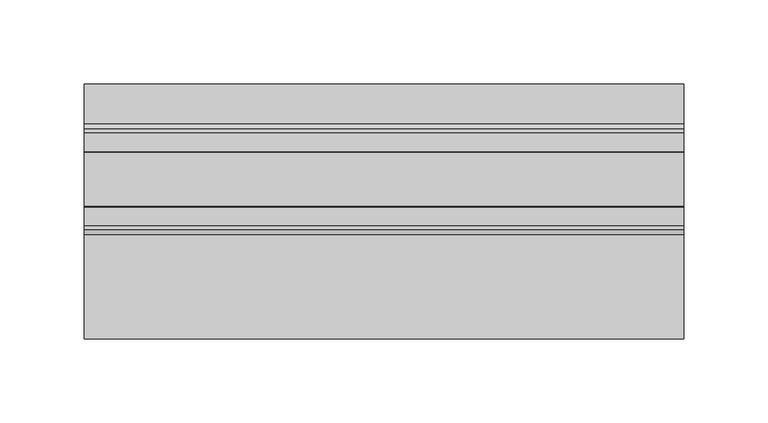
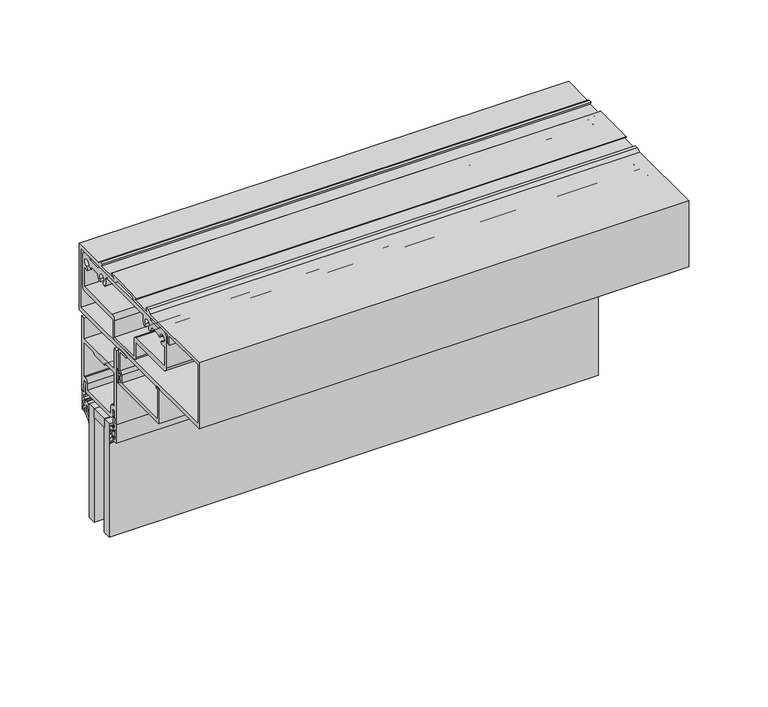
"""IFC4 building model written with IfcOpenShell, lengths in millimetres: plate geometry."""

from ifc_helpers import new_model, si_unit, point, frame, frame_2d, origin, place, context, project, spatial, polyline, circle_curve, trimmed, segment, composite_curve, outline, extrude, source, transform, mapped, element, save


def plate_995db8b3(model_context):
    return source(origin(), model_context, "Body", "SweptSolid", [
        extrude(outline(polyline([(-177.8, -19.05), (-177.8, -6.35), (177.8, -6.35), (177.8, -19.05), (-177.8, -19.05)])), frame((0.0, 0.0, 228.2472153), z_axis=(0.0, 0.0, 1.0), x_axis=(1.0, 0.0, 0.0)), (0.0, 0.0, 1.0), 6.35),
        extrude(outline(composite_curve([segment(polyline([(-34.9514484, 282.0069338), (-34.9514484, 274.0820806)]), True, "CONTINUOUS"), segment(trimmed(circle_curve(frame_2d((-36.1452484, 274.0820806)), 1.1938), [point((-34.9514484, 274.0820806))], [point((-37.3390484, 274.0820806))], False, "CARTESIAN"), True, "CONTINUOUS"), segment(polyline([(-37.3390484, 274.0820806), (-37.3390484, 276.0881992), (-38.31675, 276.0881992), (-38.31675, 274.6149992), (-39.2186484, 274.6149992), (-39.2186484, 276.4691992), (-37.7962484, 276.4691992), (-37.7962484, 279.6187992), (-39.2186484, 279.6187992), (-39.2186484, 281.4729992), (-38.31675, 281.4729992), (-38.31675, 279.9997992), (-37.3390484, 279.9997992), (-37.3390484, 282.0069338)]), True, "CONTINUOUS"), segment(trimmed(circle_curve(frame_2d((-36.1452484, 282.0069338)), 1.1938), [point((-37.3390484, 282.0069338))], [point((-34.9514484, 282.0069338))], False, "CARTESIAN"), True, "CONTINUOUS")], self_intersect=False), holes=[composite_curve([segment(trimmed(circle_curve(frame_2d((-36.1452484, 282.0069338)), 0.6858), [point((-35.4594484, 282.0069338))], [point((-36.8310484, 282.0069338))], True, "CARTESIAN"), True, "CONTINUOUS"), segment(polyline([(-36.8310484, 282.0069338), (-36.8310484, 274.0820806)]), True, "CONTINUOUS"), segment(trimmed(circle_curve(frame_2d((-36.1452484, 274.0820806)), 0.6858), [point((-36.8310484, 274.0820806))], [point((-35.4594484, 274.0820806))], True, "CARTESIAN"), True, "CONTINUOUS"), segment(polyline([(-35.4594484, 274.0820806), (-35.4594484, 282.0069338)]), True, "CONTINUOUS")], self_intersect=False)]), frame((-177.8, 0.0, 0.0), z_axis=(1.0, 0.0, 0.0), x_axis=(0.0, 1.0, 0.0)), (0.0, 0.0, 1.0), 355.6),
        extrude(outline(polyline([(-177.8, -6.35), (-177.8, 0.0), (177.8, 0.0), (177.8, -6.35), (-177.8, -6.35)])), frame((0.0, 0.0, 147.2847153), z_axis=(0.0, 0.0, 1.0), x_axis=(1.0, 0.0, 0.0)), (0.0, 0.0, 1.0), 87.3125),
        extrude(outline(polyline([(-177.8, -25.4), (-177.8, -19.05), (177.8, -19.05), (177.8, -25.4), (-177.8, -25.4)])), frame((0.0, 0.0, 147.2847153), z_axis=(0.0, 0.0, 1.0), x_axis=(1.0, 0.0, 0.0)), (0.0, 0.0, 1.0), 87.3125),
        extrude(outline(composite_curve([segment(polyline([(1.2146236, 224.1188094), (3.6195019, 226.3938295), (3.6195019, 229.7604607)]), True, "CONTINUOUS"), segment(trimmed(circle_curve(frame_2d((3.9370017, 230.1154366)), 0.47625), [point((3.6195019, 229.7604607))], [point((3.619501, 230.4704118))], True, "CARTESIAN"), True, "CONTINUOUS"), segment(polyline([(3.619501, 230.4704118), (3.619501, 232.0534477)]), True, "CONTINUOUS"), segment(trimmed(circle_curve(frame_2d((3.1116463, 230.6480701)), 1.4943235), [point((3.619501, 232.0534477))], [point((1.6174209, 230.6651923))], True, "CARTESIAN"), True, "CONTINUOUS"), segment(polyline([(1.6174209, 230.6651923), (0.5798898, 227.3304073)]), True, "CONTINUOUS"), segment(trimmed(circle_curve(frame_2d((0.2963183, 227.4186332)), 0.2969791), [point((0.5798898, 227.3304073))], [point((0.0, 227.3988331))], False, "CARTESIAN"), True, "CONTINUOUS"), segment(polyline([(0.0, 227.3988331), (0.0, 231.4465032)]), True, "CONTINUOUS"), segment(trimmed(circle_curve(frame_2d((2.8819649, 231.5989848)), 2.8859959), [point((0.0, 231.4465032))], [point((2.7993723, 234.4837987))], False, "CARTESIAN"), True, "CONTINUOUS"), segment(polyline([(2.7993723, 234.4837987), (3.619501, 234.5072791), (4.7625003, 234.5072791), (4.7625003, 231.5886377), (6.1341013, 231.5886377), (6.1341013, 232.9014666)]), True, "CONTINUOUS"), segment(trimmed(circle_curve(frame_2d((6.4896997, 233.1888362)), 0.4571996), [point((6.1341013, 232.9014666))], [point((6.9468994, 233.1888362))], False, "CARTESIAN"), True, "CONTINUOUS"), segment(polyline([(6.9468994, 233.1888362), (6.9468994, 231.1210434)]), True, "CONTINUOUS"), segment(trimmed(circle_curve(frame_2d((6.4706494, 231.0706007)), 0.4789139), [point((6.9468994, 231.1210434))], [point((6.4706494, 230.5916868))], False, "CARTESIAN"), True, "CONTINUOUS"), segment(trimmed(circle_curve(frame_2d((6.4706494, 230.1154368)), 0.47625), [point((6.4706494, 230.5916868))], [point((6.4706494, 229.6391868))], True, "CARTESIAN"), True, "CONTINUOUS"), segment(trimmed(circle_curve(frame_2d((6.3248962, 229.0345018)), 0.6220032), [point((6.4706494, 229.6391868))], [point((6.9468994, 229.0345018))], False, "CARTESIAN"), True, "CONTINUOUS"), segment(polyline([(6.9468994, 229.0345018), (6.9468994, 227.0420375)]), True, "CONTINUOUS"), segment(trimmed(circle_curve(frame_2d((6.4896997, 227.0420375)), 0.4571996), [point((6.9468994, 227.0420375))], [point((6.134102, 227.3294079))], False, "CARTESIAN"), True, "CONTINUOUS"), segment(polyline([(6.134102, 227.3294079), (6.134102, 228.6422512), (4.7625003, 228.6422512), (4.7625003, 224.7705638), (1.4889495, 222.2693517)]), True, "CONTINUOUS"), segment(trimmed(circle_curve(frame_2d((3.0879023, 220.2964512)), 2.5394854), [point((1.4889495, 222.2693517))], [point((0.5496136, 220.2184967))], True, "CARTESIAN"), True, "CONTINUOUS"), segment(trimmed(circle_curve(frame_2d((0.2748716, 220.210059)), 0.2748716), [point((0.5496136, 220.2184967))], [point((0.0, 220.210059))], False, "CARTESIAN"), True, "CONTINUOUS"), segment(polyline([(0.0, 220.210059), (0.0, 221.9232827)]), True, "CONTINUOUS"), segment(trimmed(circle_curve(frame_2d((3.0412561, 221.6745235)), 3.0514128), [point((0.0, 221.9232827))], [point((1.2146236, 224.1188094))], False, "CARTESIAN"), True, "CONTINUOUS")], self_intersect=False)), frame((-177.8, 0.0, 0.0), z_axis=(1.0, 0.0, 0.0), x_axis=(0.0, 1.0, 0.0)), (0.0, 0.0, 1.0), 355.6),
        extrude(outline(composite_curve([segment(trimmed(circle_curve(frame_2d((-28.4412561, 221.6745235)), 3.0514128), [point((-26.6146236, 224.1188094))], [point((-25.4, 221.9232827))], False, "CARTESIAN"), True, "CONTINUOUS"), segment(polyline([(-25.4, 221.9232827), (-25.4, 220.210059)]), True, "CONTINUOUS"), segment(trimmed(circle_curve(frame_2d((-25.6748716, 220.210059)), 0.2748716), [point((-25.4, 220.210059))], [point((-25.9496136, 220.2184967))], False, "CARTESIAN"), True, "CONTINUOUS"), segment(trimmed(circle_curve(frame_2d((-28.4879023, 220.2964512)), 2.5394854), [point((-25.9496136, 220.2184967))], [point((-26.8889495, 222.2693517))], True, "CARTESIAN"), True, "CONTINUOUS"), segment(polyline([(-26.8889495, 222.2693517), (-30.1625003, 224.7705638), (-30.1625003, 228.6422512), (-31.534102, 228.6422512), (-31.534102, 227.3294079)]), True, "CONTINUOUS"), segment(trimmed(circle_curve(frame_2d((-31.8896997, 227.0420375)), 0.4571996), [point((-31.534102, 227.3294079))], [point((-32.3468994, 227.0420375))], False, "CARTESIAN"), True, "CONTINUOUS"), segment(polyline([(-32.3468994, 227.0420375), (-32.3468994, 229.0345018)]), True, "CONTINUOUS"), segment(trimmed(circle_curve(frame_2d((-31.7248962, 229.0345018)), 0.6220032), [point((-32.3468994, 229.0345018))], [point((-31.8706494, 229.6391868))], False, "CARTESIAN"), True, "CONTINUOUS"), segment(trimmed(circle_curve(frame_2d((-31.8706494, 230.1154368)), 0.47625), [point((-31.8706494, 229.6391868))], [point((-31.8706494, 230.5916868))], True, "CARTESIAN"), True, "CONTINUOUS"), segment(trimmed(circle_curve(frame_2d((-31.8706494, 231.0706007)), 0.4789139), [point((-31.8706494, 230.5916868))], [point((-32.3468994, 231.1210434))], False, "CARTESIAN"), True, "CONTINUOUS"), segment(polyline([(-32.3468994, 231.1210434), (-32.3468994, 233.1888362)]), True, "CONTINUOUS"), segment(trimmed(circle_curve(frame_2d((-31.8896997, 233.1888362)), 0.4571996), [point((-32.3468994, 233.1888362))], [point((-31.5341013, 232.9014666))], False, "CARTESIAN"), True, "CONTINUOUS"), segment(polyline([(-31.5341013, 232.9014666), (-31.5341013, 231.5886377), (-30.1625, 231.5886377), (-30.1625, 234.5072791), (-29.019501, 234.5072791), (-28.1993723, 234.4837987)]), True, "CONTINUOUS"), segment(trimmed(circle_curve(frame_2d((-28.2819649, 231.5989848)), 2.8859959), [point((-28.1993723, 234.4837987))], [point((-25.4, 231.4465032))], False, "CARTESIAN"), True, "CONTINUOUS"), segment(polyline([(-25.4, 231.4465032), (-25.4, 227.3988331)]), True, "CONTINUOUS"), segment(trimmed(circle_curve(frame_2d((-25.6963183, 227.4186332)), 0.2969791), [point((-25.4, 227.3988331))], [point((-25.9798898, 227.3304073))], False, "CARTESIAN"), True, "CONTINUOUS"), segment(polyline([(-25.9798898, 227.3304073), (-27.0174209, 230.6651923)]), True, "CONTINUOUS"), segment(trimmed(circle_curve(frame_2d((-28.5116463, 230.6480701)), 1.4943235), [point((-27.0174209, 230.6651923))], [point((-29.019501, 232.0534477))], True, "CARTESIAN"), True, "CONTINUOUS"), segment(polyline([(-29.019501, 232.0534477), (-29.019501, 230.4704118)]), True, "CONTINUOUS"), segment(trimmed(circle_curve(frame_2d((-29.3370017, 230.1154366)), 0.47625), [point((-29.019501, 230.4704118))], [point((-29.0195019, 229.7604607))], True, "CARTESIAN"), True, "CONTINUOUS"), segment(polyline([(-29.0195019, 229.7604607), (-29.0195019, 226.3938295), (-26.6146236, 224.1188094)]), True, "CONTINUOUS")], self_intersect=False)), frame((-177.8, 0.0, 0.0), z_axis=(1.0, 0.0, 0.0), x_axis=(0.0, 1.0, 0.0)), (0.0, 0.0, 1.0), 355.6),
        extrude(outline(composite_curve([segment(polyline([(-34.1276564, 225.0718698), (-34.0673249, 239.336753), (-31.6471876, 239.336753), (-31.6471876, 240.9689504), (-32.4372227, 240.8579182), (-31.0981976, 248.2908744), (-29.8175355, 248.1677338), (-30.9128526, 242.0876064)]), True, "CONTINUOUS"), segment(trimmed(circle_curve(frame_2d((-31.7464064, 240.8729022)), 1.4732), [point((-30.9128526, 242.0876064))], [point((-30.2732064, 240.8729022))], False, "CARTESIAN"), True, "CONTINUOUS"), segment(polyline([(-30.2732064, 240.8729022), (-30.2732064, 239.3593698)]), True, "CONTINUOUS"), segment(trimmed(circle_curve(frame_2d((-31.7464064, 239.3593698)), 1.4732), [point((-30.2732064, 239.3593698))], [point((-31.7464064, 237.8861698))], False, "CARTESIAN"), True, "CONTINUOUS"), segment(polyline([(-31.7464064, 237.8861698), (-32.6544564, 237.8861698), (-32.6544564, 235.1048698), (-30.1589064, 235.1048698), (-30.1589064, 233.0855698)]), True, "CONTINUOUS"), segment(trimmed(circle_curve(frame_2d((-30.9717064, 233.0855698)), 0.8128), [point((-30.1589064, 233.0855698))], [point((-31.1749064, 232.2985796))], False, "CARTESIAN"), True, "CONTINUOUS"), segment(polyline([(-31.1749064, 232.2985796), (-31.1749064, 233.8348698), (-32.5401564, 233.8348698), (-32.5401564, 226.3418698), (-31.1749064, 226.3418698), (-31.1749064, 227.90356)]), True, "CONTINUOUS"), segment(trimmed(circle_curve(frame_2d((-30.9717064, 227.1165698)), 0.8128), [point((-31.1749064, 227.90356))], [point((-30.1589064, 227.1165698))], False, "CARTESIAN"), True, "CONTINUOUS"), segment(polyline([(-30.1589064, 227.1165698), (-30.2859064, 225.0718698), (-34.1276564, 225.0718698)]), True, "CONTINUOUS")], self_intersect=False)), frame((-177.8, 0.0, 0.0), z_axis=(1.0, 0.0, 0.0), x_axis=(0.0, 1.0, 0.0)), (0.0, 0.0, 1.0), 355.6),
        extrude(outline(composite_curve([segment(polyline([(8.7276564, 225.0718698), (4.8859064, 225.0718698), (4.7589064, 227.1165698)]), True, "CONTINUOUS"), segment(trimmed(circle_curve(frame_2d((5.5717064, 227.1165698)), 0.8128), [point((4.7589064, 227.1165698))], [point((5.7749064, 227.90356))], False, "CARTESIAN"), True, "CONTINUOUS"), segment(polyline([(5.7749064, 227.90356), (5.7749064, 226.3418698), (7.1401564, 226.3418698), (7.1401564, 233.8348698), (5.7749064, 233.8348698), (5.7749064, 232.2985796)]), True, "CONTINUOUS"), segment(trimmed(circle_curve(frame_2d((5.5717064, 233.0855698)), 0.8128), [point((5.7749064, 232.2985796))], [point((4.7589064, 233.0855698))], False, "CARTESIAN"), True, "CONTINUOUS"), segment(polyline([(4.7589064, 233.0855698), (4.7589064, 235.1048698), (7.2544564, 235.1048698), (7.2544564, 237.8861698), (6.3464064, 237.8861698)]), True, "CONTINUOUS"), segment(trimmed(circle_curve(frame_2d((6.3464064, 239.3593698)), 1.4732), [point((6.3464064, 237.8861698))], [point((4.8732064, 239.3593698))], False, "CARTESIAN"), True, "CONTINUOUS"), segment(polyline([(4.8732064, 239.3593698), (4.8732064, 240.8729022)]), True, "CONTINUOUS"), segment(trimmed(circle_curve(frame_2d((6.3464064, 240.8729022)), 1.4732), [point((4.8732064, 240.8729022))], [point((5.5128526, 242.0876064))], False, "CARTESIAN"), True, "CONTINUOUS"), segment(polyline([(5.5128526, 242.0876064), (4.4175355, 248.1677338), (5.6981976, 248.2908744), (7.0372227, 240.8579182), (6.2471876, 240.9689504), (6.2471876, 239.336753), (8.6673249, 239.336753), (8.7276564, 225.0718698)]), True, "CONTINUOUS")], self_intersect=False)), frame((-177.8, 0.0, 0.0), z_axis=(1.0, 0.0, 0.0), x_axis=(0.0, 1.0, 0.0)), (0.0, 0.0, 1.0), 355.6),
        extrude(outline(composite_curve([segment(trimmed(circle_curve(frame_2d((-37.73499, 280.7617153)), 0.4318), [point((-37.30319, 280.7617153))], [point((-38.1346289, 280.9252391))], False, "CARTESIAN"), True, "CONTINUOUS"), segment(trimmed(circle_curve(frame_2d((-38.7116898, 281.1613602)), 0.6235002), [point((-38.1346289, 280.9252391))], [point((-39.33519, 281.1613602))], True, "CARTESIAN"), True, "CONTINUOUS"), segment(polyline([(-39.33519, 281.1613602), (-39.33519, 274.8689153)]), True, "CONTINUOUS"), segment(trimmed(circle_curve(frame_2d((-38.7222466, 274.9629884)), 0.6201205), [point((-39.33519, 274.8689153))], [point((-38.1402463, 275.1770563))], True, "CARTESIAN"), True, "CONTINUOUS"), segment(trimmed(circle_curve(frame_2d((-37.73499, 275.3261153)), 0.4318), [point((-38.1402463, 275.1770563))], [point((-37.30319, 275.3261153))], False, "CARTESIAN"), True, "CONTINUOUS"), segment(polyline([(-37.30319, 275.3261153), (-37.30319, 273.4973153)]), True, "CONTINUOUS"), segment(trimmed(circle_curve(frame_2d((-38.09059, 273.4973153)), 0.7874), [point((-37.30319, 273.4973153))], [point((-38.09059, 272.7099153))], False, "CARTESIAN"), True, "CONTINUOUS"), segment(polyline([(-38.09059, 272.7099153), (-88.1032275, 272.7099153), (-88.1032275, 299.6847153), (-84.9435431, 299.6847153), (-84.9435431, 298.1099153), (-86.5284275, 298.1099153), (-86.5284275, 275.0975153), (-40.9253431, 275.0975153), (-40.9253431, 281.2189153)]), True, "CONTINUOUS"), segment(trimmed(circle_curve(frame_2d((-38.7663431, 281.2189153)), 2.159), [point((-40.9253431, 281.2189153))], [point((-38.8933431, 283.3741768))], False, "CARTESIAN"), True, "CONTINUOUS"), segment(polyline([(-38.8933431, 283.3741768), (-38.8933431, 298.1099153), (-46.8282275, 298.1099153), (-46.8282275, 299.6847153), (-37.30319, 299.6847153), (-37.30319, 280.7617153)]), True, "CONTINUOUS")], self_intersect=False)), frame((-177.8, 0.0, 0.0), z_axis=(1.0, 0.0, 0.0), x_axis=(0.0, 1.0, 0.0)), (0.0, 0.0, 1.0), 355.6),
        extrude(outline(composite_curve([segment(polyline([(6.35, 280.6347153), (6.35, 296.5097153), (9.1948, 296.5097153), (9.1948, 239.3153905), (6.35, 239.3153905), (6.35, 240.5853905), (7.1627949, 240.5853905), (6.7499992, 248.8149905), (4.3688, 248.8149905), (4.3688, 242.4840685)]), True, "CONTINUOUS"), segment(trimmed(circle_curve(frame_2d((2.794, 242.4840685)), 1.5748), [point((4.3688, 242.4840685))], [point((2.794, 240.9092685))], False, "CARTESIAN"), True, "CONTINUOUS"), segment(polyline([(2.794, 240.9092685), (-26.5938, 240.9092685)]), True, "CONTINUOUS"), segment(trimmed(circle_curve(frame_2d((-26.5938, 244.0843681)), 3.1750996), [point((-26.5938, 240.9092685))], [point((-29.7688, 244.1095153))], False, "CARTESIAN"), True, "CONTINUOUS"), segment(polyline([(-29.7688, 244.1095153), (-29.7688, 248.8466153), (-32.15005, 248.8466153), (-32.5628, 240.6170153), (-31.75, 240.6170153), (-31.75, 239.3470153), (-34.5948, 239.3470153), (-34.5948, 296.4970153), (-31.75, 296.4970153), (-31.75, 280.6347153), (6.35, 280.6347153)]), True, "CONTINUOUS")], self_intersect=False), holes=[composite_curve([segment(polyline([(6.0198, 252.0216153), (6.0198, 277.4470153), (-4.7625, 277.4470153)]), True, "CONTINUOUS"), segment(trimmed(circle_curve(frame_2d((-4.7625, 275.8595153)), 1.5875), [point((-4.7625, 277.4470153))], [point((-6.35, 275.8595153))], True, "CARTESIAN"), True, "CONTINUOUS"), segment(polyline([(-6.35, 275.8595153), (-19.05, 275.8595153)]), True, "CONTINUOUS"), segment(trimmed(circle_curve(frame_2d((-20.6375, 275.8595153)), 1.5875), [point((-19.05, 275.8595153))], [point((-20.6375, 277.4470153))], True, "CARTESIAN"), True, "CONTINUOUS"), segment(polyline([(-20.6375, 277.4470153), (-31.4198, 277.4470153), (-31.4198, 252.0216153), (-30.1752, 252.0216153)]), True, "CONTINUOUS"), segment(trimmed(circle_curve(frame_2d((-30.1752, 248.8466153)), 3.175), [point((-30.1752, 252.0216153))], [point((-27.0002, 248.8466153))], False, "CARTESIAN"), True, "CONTINUOUS"), segment(polyline([(-27.0002, 248.8466153), (-27.0002, 244.1095153), (1.6002, 244.1095153), (1.6002, 248.8466153)]), True, "CONTINUOUS"), segment(trimmed(circle_curve(frame_2d((4.7752, 248.8466153)), 3.175), [point((1.6002, 248.8466153))], [point((4.7752, 252.0216153))], False, "CARTESIAN"), True, "CONTINUOUS"), segment(polyline([(4.7752, 252.0216153), (6.0198, 252.0216153)]), True, "CONTINUOUS")], self_intersect=False)]), frame((-177.8, 0.0, 0.0), z_axis=(1.0, 0.0, 0.0), x_axis=(0.0, 1.0, 0.0)), (0.0, 0.0, 1.0), 355.6),
        extrude(outline(composite_curve([segment(polyline([(-76.26604, 347.3097153), (-12.76604, 347.3097153), (-11.19124, 345.7349153), (-1.65354, 345.7349153), (-0.06604, 347.3097153), (5.01142, 347.3097153)]), True, "CONTINUOUS"), segment(trimmed(circle_curve(frame_2d((5.01142, 344.1347153)), 3.175), [point((5.01142, 347.3097153))], [point((8.18642, 344.1347153))], False, "CARTESIAN"), True, "CONTINUOUS"), segment(polyline([(8.18642, 344.1347153), (8.18642, 320.6651153)]), True, "CONTINUOUS"), segment(trimmed(circle_curve(frame_2d((5.01142, 320.6651153)), 3.175), [point((8.18642, 320.6651153))], [point((5.01142, 317.4901153))], False, "CARTESIAN"), True, "CONTINUOUS"), segment(polyline([(5.01142, 317.4901153), (-30.29204, 317.4901153), (-30.29204, 305.6537153)]), True, "CONTINUOUS"), segment(trimmed(circle_curve(frame_2d((-32.67964, 305.6537153)), 2.3876), [point((-30.29204, 305.6537153))], [point((-32.67964, 303.2661153))], False, "CARTESIAN"), True, "CONTINUOUS"), segment(polyline([(-32.67964, 303.2661153), (-56.35244, 303.2661153)]), True, "CONTINUOUS"), segment(trimmed(circle_curve(frame_2d((-56.35244, 305.6537153)), 2.3876), [point((-56.35244, 303.2661153))], [point((-58.74004, 305.6537153))], False, "CARTESIAN"), True, "CONTINUOUS"), segment(polyline([(-58.74004, 305.6537153), (-58.74004, 317.4901153), (-94.04858, 317.4901153)]), True, "CONTINUOUS"), segment(trimmed(circle_curve(frame_2d((-94.04858, 320.6651153)), 3.175), [point((-94.04858, 317.4901153))], [point((-97.22358, 320.6651153))], False, "CARTESIAN"), True, "CONTINUOUS"), segment(polyline([(-97.22358, 320.6651153), (-97.22358, 344.1347153)]), True, "CONTINUOUS"), segment(trimmed(circle_curve(frame_2d((-94.04858, 344.1347153)), 3.175), [point((-97.22358, 344.1347153))], [point((-94.04858, 347.3097153))], False, "CARTESIAN"), True, "CONTINUOUS"), segment(polyline([(-94.04858, 347.3097153), (-88.96604, 347.3097153), (-87.39124, 345.7349153), (-77.84084, 345.7349153), (-76.26604, 347.3097153)]), True, "CONTINUOUS")], self_intersect=False), holes=[composite_curve([segment(polyline([(-79.3455542, 340.6549153), (-86.4810901, 340.6549153)]), True, "CONTINUOUS"), segment(trimmed(circle_curve(frame_2d((-88.0261765, 340.9597153)), 1.5748635), [point((-86.4810901, 340.6549153))], [point((-89.60104, 340.9597153))], False, "CARTESIAN"), True, "CONTINUOUS"), segment(trimmed(circle_curve(frame_2d((-92.14104, 340.9597153)), 2.54), [point((-89.60104, 340.9597153))], [point((-92.14104, 338.4197153))], True, "CARTESIAN"), True, "CONTINUOUS"), segment(trimmed(circle_curve(frame_2d((-92.14104, 336.8448518)), 1.5748635), [point((-92.14104, 338.4197153))], [point((-92.14104, 335.2699883))], False, "CARTESIAN"), True, "CONTINUOUS"), segment(trimmed(circle_curve(frame_2d((-92.14104, 340.9597153)), 5.689727), [point((-92.14104, 335.2699883))], [point((-94.45498, 335.7617662))], False, "CARTESIAN"), True, "CONTINUOUS"), segment(polyline([(-94.45498, 335.7617662), (-94.45498, 321.4525153), (-59.52744, 321.4525153)]), True, "CONTINUOUS"), segment(trimmed(circle_curve(frame_2d((-59.52744, 318.2775153)), 3.175), [point((-59.52744, 321.4525153))], [point((-56.35244, 318.2775153))], False, "CARTESIAN"), True, "CONTINUOUS"), segment(polyline([(-56.35244, 318.2775153), (-56.35244, 305.6537153), (-32.67964, 305.6537153), (-32.67964, 318.2775153)]), True, "CONTINUOUS"), segment(trimmed(circle_curve(frame_2d((-29.50464, 318.2775153)), 3.175), [point((-32.67964, 318.2775153))], [point((-29.50464, 321.4525153))], False, "CARTESIAN"), True, "CONTINUOUS"), segment(polyline([(-29.50464, 321.4525153), (5.41782, 321.4525153), (5.41782, 335.7617662)]), True, "CONTINUOUS"), segment(trimmed(circle_curve(frame_2d((3.10388, 340.9597153)), 5.689727), [point((5.41782, 335.7617662))], [point((3.10388, 335.2699883))], False, "CARTESIAN"), True, "CONTINUOUS"), segment(trimmed(circle_curve(frame_2d((3.10388, 336.8448518)), 1.5748635), [point((3.10388, 335.2699883))], [point((3.10388, 338.4197153))], False, "CARTESIAN"), True, "CONTINUOUS"), segment(trimmed(circle_curve(frame_2d((3.10388, 340.9597153)), 2.54), [point((3.10388, 338.4197153))], [point((0.56388, 340.9597153))], True, "CARTESIAN"), True, "CONTINUOUS"), segment(trimmed(circle_curve(frame_2d((-1.0109835, 340.9597153)), 1.5748635), [point((0.56388, 340.9597153))], [point((-2.5560699, 340.6549153))], False, "CARTESIAN"), True, "CONTINUOUS"), segment(polyline([(-2.5560699, 340.6549153), (-9.6916058, 340.6549153)]), True, "CONTINUOUS"), segment(trimmed(circle_curve(frame_2d((-9.6916058, 340.0199153)), 0.635), [point((-9.6916058, 340.6549153))], [point((-10.3195565, 340.1142708))], True, "CARTESIAN"), True, "CONTINUOUS"), segment(trimmed(circle_curve(frame_2d((-15.94612, 340.9597153)), 5.689727), [point((-10.3195565, 340.1142708))], [point((-11.9228755, 336.9364708))], False, "CARTESIAN"), True, "CONTINUOUS"), segment(trimmed(circle_curve(frame_2d((-13.0364721, 338.0500674)), 1.5748635), [point((-11.9228755, 336.9364708))], [point((-14.1500688, 339.1636641))], False, "CARTESIAN"), True, "CONTINUOUS"), segment(trimmed(circle_curve(frame_2d((-15.94612, 340.9597153)), 2.54), [point((-14.1500688, 339.1636641))], [point((-17.7421712, 339.1636641))], True, "CARTESIAN"), True, "CONTINUOUS"), segment(trimmed(circle_curve(frame_2d((-18.8557679, 338.0500674)), 1.5748635), [point((-17.7421712, 339.1636641))], [point((-19.9693645, 336.9364708))], False, "CARTESIAN"), True, "CONTINUOUS"), segment(trimmed(circle_curve(frame_2d((-15.94612, 340.9597153)), 5.689727), [point((-19.9693645, 336.9364708))], [point((-21.1568625, 343.2447002))], False, "CARTESIAN"), True, "CONTINUOUS"), segment(trimmed(circle_curve(frame_2d((-21.7384056, 343.4997152)), 0.635), [point((-21.1568625, 343.2447002))], [point((-21.7384038, 344.1347152))], True, "CARTESIAN"), True, "CONTINUOUS"), segment(polyline([(-21.7384038, 344.1347152), (-67.2988084, 344.1348424)]), True, "CONTINUOUS"), segment(trimmed(circle_curve(frame_2d((-67.2988102, 343.4998424)), 0.635), [point((-67.2988084, 344.1348424))], [point((-67.8803477, 343.2448147))], True, "CARTESIAN"), True, "CONTINUOUS"), segment(trimmed(circle_curve(frame_2d((-73.09104, 340.9597153)), 5.689727), [point((-67.8803477, 343.2448147))], [point((-69.0677955, 336.9364708))], False, "CARTESIAN"), True, "CONTINUOUS"), segment(trimmed(circle_curve(frame_2d((-70.1813921, 338.0500674)), 1.5748635), [point((-69.0677955, 336.9364708))], [point((-71.2949888, 339.1636641))], False, "CARTESIAN"), True, "CONTINUOUS"), segment(trimmed(circle_curve(frame_2d((-73.09104, 340.9597153)), 2.54), [point((-71.2949888, 339.1636641))], [point((-74.8870912, 339.1636641))], True, "CARTESIAN"), True, "CONTINUOUS"), segment(trimmed(circle_curve(frame_2d((-76.0006879, 338.0500674)), 1.5748635), [point((-74.8870912, 339.1636641))], [point((-77.1142845, 336.9364708))], False, "CARTESIAN"), True, "CONTINUOUS"), segment(trimmed(circle_curve(frame_2d((-73.09104, 340.9597153)), 5.689727), [point((-77.1142845, 336.9364708))], [point((-78.7176035, 340.1142708))], False, "CARTESIAN"), True, "CONTINUOUS"), segment(trimmed(circle_curve(frame_2d((-79.3455542, 340.0199153)), 0.635), [point((-78.7176035, 340.1142708))], [point((-79.3455542, 340.6549153))], True, "CARTESIAN"), True, "CONTINUOUS")], self_intersect=False)]), frame((-177.8, 0.0, 0.0), z_axis=(1.0, 0.0, 0.0), x_axis=(0.0, 1.0, 0.0)), (0.0, 0.0, 1.0), 355.6),
        extrude(outline(composite_curve([segment(polyline([(-14.2748, 352.0722153), (-11.5189, 350.4847153), (12.08532, 350.4847153), (12.08532, 299.6847153), (-139.0904, 299.6847153), (-139.0904, 350.4847153), (-77.3557, 350.4847153), (-74.5998, 352.0722153), (-72.0895141, 352.0722153), (-73.5020928, 349.6084153), (-57.9994457, 349.6084153)]), True, "CONTINUOUS"), segment(trimmed(circle_curve(frame_2d((-57.9852556, 350.0604677)), 0.4522751), [point((-57.9994457, 349.6084153))], [point((-57.8285179, 350.4847153))], True, "CARTESIAN"), True, "CONTINUOUS"), segment(polyline([(-57.8285179, 350.4847153), (-60.5166277, 351.4778336)]), True, "CONTINUOUS"), segment(trimmed(circle_curve(frame_2d((-60.42152, 351.7674153)), 0.3048), [point((-60.5166277, 351.4778336))], [point((-60.42152, 352.0722153))], False, "CARTESIAN"), True, "CONTINUOUS"), segment(polyline([(-60.42152, 352.0722153), (-28.448, 352.0722153)]), True, "CONTINUOUS"), segment(trimmed(circle_curve(frame_2d((-28.448, 351.7674153)), 0.3048), [point((-28.448, 352.0722153))], [point((-28.3533114, 351.4776963))], False, "CARTESIAN"), True, "CONTINUOUS"), segment(polyline([(-28.3533114, 351.4776963), (-31.0410021, 350.4847153)]), True, "CONTINUOUS"), segment(trimmed(circle_curve(frame_2d((-30.8843014, 350.0605753)), 0.4521613), [point((-31.0410021, 350.4847153))], [point((-30.8831877, 349.6084153))], True, "CARTESIAN"), True, "CONTINUOUS"), segment(polyline([(-30.8831877, 349.6084153), (-15.3586792, 349.6084153), (-16.7807382, 352.0722153), (-14.2748, 352.0722153)]), True, "CONTINUOUS")], self_intersect=False), holes=[polyline([(-136.7028, 302.8597153), (9.69772, 302.8597153), (9.69772, 347.3097153), (-32.84728, 347.3097153), (-35.32378, 349.7862153), (-53.5813, 349.7862153), (-56.0578, 347.3097153), (-98.6028, 347.3097153), (-98.6028, 340.9597153), (-100.9904, 340.9597153), (-100.9904, 347.3097153), (-136.7028, 347.3097153), (-136.7028, 302.8597153)])]), frame((-177.8, 0.0, 0.0), z_axis=(1.0, 0.0, 0.0), x_axis=(0.0, 1.0, 0.0)), (0.0, 0.0, 1.0), 355.6),
    ])


if __name__ == "__main__":
    model = new_model("IFC4")
    model_context = context("Model", 3, world=origin())
    ifc_project = project(units=[si_unit("LENGTHUNIT", "METRE", prefix="MILLI")], contexts=[model_context])
    site = spatial("IfcSite", under=ifc_project)
    building = spatial("IfcBuilding", under=site)
    placement = place(None, origin())
    plate_shape = plate_995db8b3(model_context)
    element("IfcPlate", 1, at=placement, inside=building, context=model_context, shape_type="MappedRepresentation", body=[
        mapped(plate_shape, transform((0.0, 0.0, 0.0), x_axis=(1.0, 0.0, 0.0), y_axis=(0.0, 1.0, 0.0), z_axis=(0.0, 0.0, 1.0))),
    ])
    save(model, "model.ifc")
